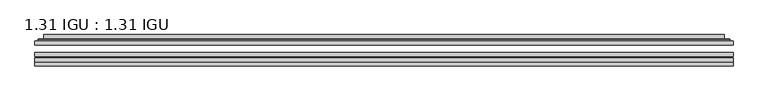
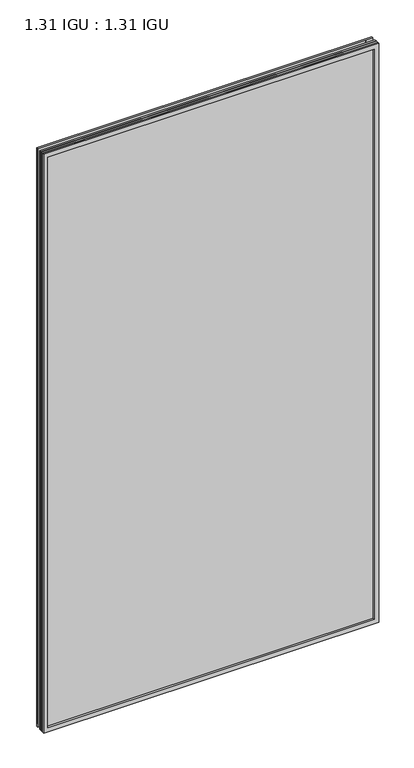
"""IFC4 building model written with IfcOpenShell, lengths in millimetres: plate geometry, 1.31 IGU : 1.31 IGU."""

from ifc_helpers import new_model, si_unit, frame, origin, place, context, project, spatial, polyline, ellipse_curve, outline, extrude, faceted_brep, source, transform, mapped, element, save
from ifc_brep_helpers import plane_surface, cylinder_surface, advanced_brep


def plate_1_31_igu_1_31_igu_21d04d1e(model_context):
    return source(origin(), model_context, "Body", "SolidModel", [
        extrude(outline(polyline([(554.05485, -63.2975937), (554.05485, -69.6475938), (-554.040675, -69.6475938), (-554.040675, -63.2975937), (554.05485, -63.2975937)])), frame((0.0, 0.0, -14.2875), z_axis=(0.0, 0.0, 1.0), x_axis=(1.0, 0.0, 0.0)), (0.0, 0.0, 1.0), 2022.4787979),
        extrude(outline(polyline([(-554.040675, -78.2835938), (-554.040675, -71.9330887), (554.05485, -71.9330887), (554.05485, -78.2835938), (-554.040675, -78.2835938)])), frame((0.0, 0.0, -14.2875), z_axis=(0.0, 0.0, 1.0), x_axis=(1.0, 0.0, 0.0)), (0.0, 0.0, 1.0), 2022.4787979),
        extrude(outline(polyline([(554.05485, -44.9587937), (554.05485, -51.3087938), (-554.040675, -51.3087938), (-554.040675, -44.9587937), (554.05485, -44.9587937)])), frame((0.0, 0.0, -14.2875), z_axis=(0.0, 0.0, 1.0), x_axis=(1.0, 0.0, 0.0)), (0.0, 0.0, 1.0), 2022.4787979),
        faceted_brep([(-554.053375, -84.6335937, 2008.2002), (-554.053375, -78.2835937, 2008.2002), (-554.053375, -78.2835937, -14.3002), (-554.053375, -84.6335937, -14.3002), (554.053375, -78.2835937, -14.3002), (554.053375, -84.6335937, -14.3002), (554.053375, -78.2835937, 2008.2002), (554.053375, -84.6335937, 2008.2002), (-538.8554309, -78.2835937, 0.8977441), (538.8554309, -78.2835937, 0.8977441), (538.8554309, -78.2835937, 1993.0022559), (-538.8554309, -78.2835937, 1993.0022559), (-539.7478652, -84.6335937, 1993.8946902), (539.7478652, -84.6335937, 1993.8946902), (539.7478652, -84.6335937, 0.0053098), (-539.7478652, -84.6335937, 0.0053098)], [[[0, 1, 2, 3]], [[3, 2, 4, 5]], [[5, 4, 6, 7]], [[1, 6, 4, 2], [8, 9, 10, 11]], [[7, 6, 1, 0]], [[3, 5, 7, 0], [12, 13, 14, 15]], [[11, 12, 15, 8]], [[8, 15, 14, 9]], [[9, 14, 13, 10]], [[10, 13, 12, 11]]]),
        advanced_brep(
        [(-546.799394, -44.9587937, 2000.946219), (-549.1535994, -42.9691271, 2003.3004244), (-549.1535994, -42.9691271, -9.4004244), (-546.799394, -44.9587937, -7.046219), (-537.7250689, -41.1187568, 1991.8718939), (-532.7902371, -44.9587937, 1986.9370621), (-532.7902371, -44.9587937, 6.9629379), (-537.7250689, -41.1187568, 2.0281061), (-538.7570967, -35.7215256, 1992.9039217), (-538.7570967, -35.7215256, 0.9960783), (-539.7477534, -35.3225507, 1993.8945784), (-539.7477534, -35.3225507, 0.0054216), (-539.7477534, -41.7837937, 1993.8945784), (-539.7477534, -41.7837937, 0.0054216), (-548.1518099, -41.7837937, 2002.2986349), (-548.1518099, -41.7837937, -8.3986349), (549.1535994, -42.9691271, -9.4004244), (546.799394, -44.9587937, -7.046219), (532.7902371, -44.9587937, 6.9629379), (537.7250689, -41.1187568, 2.0281061), (538.7570967, -35.7215256, 0.9960783), (539.7477534, -35.3225507, 0.0054216), (539.7477534, -41.7837937, 0.0054216), (548.1518099, -41.7837937, -8.3986349), (549.1535994, -42.9691271, 2003.3004244), (546.799394, -44.9587937, 2000.946219), (532.7902371, -44.9587937, 1986.9370621), (537.7250689, -41.1187568, 1991.8718939), (538.7570967, -35.7215256, 1992.9039217), (539.7477534, -35.3225507, 1993.8945784), (539.7477534, -41.7837937, 1993.8945784), (548.1518099, -41.7837937, 2002.2986349)],
        [
            (0, 1, ellipse_curve(frame((-546.799394, -42.5711937, 2000.946219), z_axis=(-0.7071067811865475, 0.0, -0.7071067811865475), x_axis=(-0.7071067811865474, 0.0, 0.7071067811865476)), 3.3765763, 2.3876)),
            (1, 2),
            (2, 3, ellipse_curve(frame((-546.799394, -42.5711937, -7.046219), z_axis=(-0.7071067811865475, 0.0, 0.7071067811865475), x_axis=(0.7071067811865474, 0.0, 0.7071067811865476)), 3.3765763, 2.3876)),
            (3, 0),
            (4, 5),
            (5, 6),
            (6, 7),
            (7, 4),
            (8, 4),
            (7, 9),
            (9, 8),
            (10, 8, ellipse_curve(frame((-539.3807969, -35.840786, 1993.5276219), z_axis=(-0.7071067811865475, 0.0, -0.7071067811865475), x_axis=(-0.7071067811865474, 0.0, 0.7071067811865476)), 0.8980256, 0.635)),
            (9, 11, ellipse_curve(frame((-539.3807969, -35.840786, 0.3723781), z_axis=(-0.7071067811865475, 0.0, 0.7071067811865475), x_axis=(0.7071067811865474, 0.0, 0.7071067811865476)), 0.8980256, 0.635)),
            (11, 10),
            (12, 10),
            (11, 13),
            (13, 12),
            (1, 14, ellipse_curve(frame((-548.1518099, -42.7997937, 2002.2986349), z_axis=(-0.7071067811865475, 0.0, -0.7071067811865475), x_axis=(-0.7071067811865474, 0.0, 0.7071067811865476)), 1.436841, 1.016)),
            (14, 15),
            (15, 2, ellipse_curve(frame((-548.1518099, -42.7997937, -8.3986349), z_axis=(-0.7071067811865475, 0.0, 0.7071067811865475), x_axis=(0.7071067811865474, 0.0, 0.7071067811865476)), 1.436841, 1.016)),
            (2, 16),
            (16, 17, ellipse_curve(frame((546.799394, -42.5711937, -7.046219), z_axis=(-0.7071067811865475, 0.0, -0.7071067811865475), x_axis=(-0.7071067811865476, 0.0, 0.7071067811865474)), 3.3765763, 2.3876)),
            (17, 3),
            (6, 18),
            (18, 19),
            (19, 7),
            (19, 20),
            (20, 9),
            (20, 21, ellipse_curve(frame((539.3807969, -35.840786, 0.3723781), z_axis=(-0.7071067811865475, 0.0, -0.7071067811865475), x_axis=(-0.7071067811865476, 0.0, 0.7071067811865474)), 0.8980256, 0.635)),
            (21, 11),
            (21, 22),
            (22, 13),
            (15, 23),
            (23, 16, ellipse_curve(frame((548.1518099, -42.7997937, -8.3986349), z_axis=(-0.7071067811865475, 0.0, -0.7071067811865475), x_axis=(-0.7071067811865476, 0.0, 0.7071067811865474)), 1.436841, 1.016)),
            (16, 24),
            (24, 25, ellipse_curve(frame((546.799394, -42.5711937, 2000.946219), z_axis=(0.7071067811865475, 0.0, -0.7071067811865475), x_axis=(-0.7071067811865474, 0.0, -0.7071067811865476)), 3.3765763, 2.3876)),
            (25, 17),
            (18, 26),
            (26, 27),
            (27, 19),
            (27, 28),
            (28, 20),
            (28, 29, ellipse_curve(frame((539.3807969, -35.840786, 1993.5276219), z_axis=(0.7071067811865475, 0.0, -0.7071067811865475), x_axis=(-0.7071067811865474, 0.0, -0.7071067811865476)), 0.8980256, 0.635)),
            (29, 21),
            (29, 30),
            (30, 22),
            (23, 31),
            (31, 24, ellipse_curve(frame((548.1518099, -42.7997937, 2002.2986349), z_axis=(0.7071067811865475, 0.0, -0.7071067811865475), x_axis=(-0.7071067811865474, 0.0, -0.7071067811865476)), 1.436841, 1.016)),
            (24, 1),
            (0, 25),
            (5, 26),
            (4, 27),
            (8, 28),
            (10, 29),
            (12, 30),
            (14, 31),
        ],
        [
            cylinder_surface(frame((-546.799394, -42.5711937, 2025.65), z_axis=(0.0, 0.0, 1.0), x_axis=(-1.0, 0.0, 0.0)), 2.3876),
            plane_surface(frame((-532.7902371, -44.9587937, 1986.9370621), z_axis=(0.6141233906514794, 0.7892100234124821, 0.0), x_axis=(0.0, 0.0, -1.0))),
            plane_surface(frame((-537.7250689, -41.1187568, 1991.8718939), z_axis=(0.9822050625507729, 0.18781164793386076, 0.0), x_axis=(0.0, 0.0, -1.0))),
            cylinder_surface(frame((-539.3807969, -35.840786, 2025.65), z_axis=(0.0, 0.0, 1.0), x_axis=(-1.0, 0.0, 0.0)), 0.635),
            plane_surface(frame((-539.7477534, -35.3225507, 1993.8945784), z_axis=(-1.0, 0.0, 0.0), x_axis=(0.0, 0.0, -1.0))),
            cylinder_surface(frame((-548.1518099, -42.7997937, 2025.65), z_axis=(0.0, 0.0, 1.0), x_axis=(-1.0, 0.0, 0.0)), 1.016),
            cylinder_surface(frame((-571.503175, -42.5711937, -7.046219), z_axis=(-1.0, 0.0, 0.0), x_axis=(0.0, 0.0, -1.0)), 2.3876),
            plane_surface(frame((-532.7902371, -44.9587937, 6.9629379), z_axis=(0.0, 0.7892100234124841, 0.6141233906514768), x_axis=(1.0, 0.0, 0.0))),
            plane_surface(frame((-537.7250689, -41.1187568, 2.0281061), z_axis=(0.0, 0.18781164793386393, 0.9822050625507723), x_axis=(1.0, 0.0, 0.0))),
            cylinder_surface(frame((-571.503175, -35.840786, 0.3723781), z_axis=(-1.0, 0.0, 0.0), x_axis=(0.0, 0.0, -1.0)), 0.635),
            plane_surface(frame((-539.7477534, -35.3225507, 0.0054216), z_axis=(0.0, 0.0, -1.0), x_axis=(1.0, 0.0, 0.0))),
            cylinder_surface(frame((-571.503175, -42.7997937, -8.3986349), z_axis=(-1.0, 0.0, 0.0), x_axis=(0.0, 0.0, -1.0)), 1.016),
            cylinder_surface(frame((546.799394, -42.5711937, -31.75), z_axis=(0.0, 0.0, -1.0), x_axis=(1.0, 0.0, 0.0)), 2.3876),
            plane_surface(frame((532.7902371, -44.9587937, 6.9629379), z_axis=(-0.6141233906514743, 0.7892100234124861, 0.0), x_axis=(0.0, 0.0, 1.0))),
            plane_surface(frame((537.7250689, -41.1187568, 2.0281061), z_axis=(-0.9822050625507718, 0.1878116479338671, 0.0), x_axis=(0.0, 0.0, 1.0))),
            cylinder_surface(frame((539.3807969, -35.840786, -31.75), z_axis=(0.0, 0.0, -1.0), x_axis=(1.0, 0.0, 0.0)), 0.635),
            plane_surface(frame((539.7477534, -35.3225507, 0.0054216), z_axis=(1.0, 0.0, 0.0), x_axis=(0.0, 0.0, 1.0))),
            cylinder_surface(frame((548.1518099, -42.7997937, -31.75), z_axis=(0.0, 0.0, -1.0), x_axis=(1.0, 0.0, 0.0)), 1.016),
            cylinder_surface(frame((571.503175, -42.5711937, 2000.946219), z_axis=(1.0, 0.0, 0.0), x_axis=(0.0, 0.0, 1.0)), 2.3876),
            plane_surface(frame((546.799394, -44.9587937, 2000.946219), z_axis=(0.0, -1.0, 0.0), x_axis=(-1.0, 0.0, 0.0))),
            plane_surface(frame((532.7902371, -44.9587937, 1986.9370621), z_axis=(0.0, 0.7892100234124841, -0.6141233906514768), x_axis=(-1.0, 0.0, 0.0))),
            plane_surface(frame((537.7250689, -41.1187568, 1991.8718939), z_axis=(0.0, 0.18781164793386393, -0.9822050625507723), x_axis=(-1.0, 0.0, 0.0))),
            cylinder_surface(frame((571.503175, -35.840786, 1993.5276219), z_axis=(1.0, 0.0, 0.0), x_axis=(0.0, 0.0, 1.0)), 0.635),
            plane_surface(frame((539.7477534, -35.3225507, 1993.8945784), z_axis=(0.0, 0.0, 1.0), x_axis=(-1.0, 0.0, 0.0))),
            plane_surface(frame((539.7477534, -41.7837937, 1993.8945784), z_axis=(0.0, 1.0, 0.0), x_axis=(-1.0, 0.0, 0.0))),
            cylinder_surface(frame((571.503175, -42.7997937, 2002.2986349), z_axis=(1.0, 0.0, 0.0), x_axis=(0.0, 0.0, 1.0)), 1.016),
        ],
        [
            (0, [[1, 2, 3, 4]]),
            (1, [[5, 6, 7, 8]]),
            (2, [[9, -8, 10, 11]]),
            (3, [[12, -11, 13, 14]]),
            (4, [[15, -14, 16, 17]]),
            (5, [[18, 19, 20, -2]]),
            (6, [[-3, 21, 22, 23]]),
            (7, [[-7, 24, 25, 26]]),
            (8, [[-10, -26, 27, 28]]),
            (9, [[-13, -28, 29, 30]]),
            (10, [[-16, -30, 31, 32]]),
            (11, [[-20, 33, 34, -21]]),
            (12, [[-22, 35, 36, 37]]),
            (13, [[-25, 38, 39, 40]]),
            (14, [[-27, -40, 41, 42]]),
            (15, [[-29, -42, 43, 44]]),
            (16, [[-31, -44, 45, 46]]),
            (17, [[-34, 47, 48, -35]]),
            (18, [[-36, 49, -1, 50]]),
            (19, [[-23, -37, -50, -4], [51, -38, -24, -6]]),
            (20, [[-39, -51, -5, 52]]),
            (21, [[-41, -52, -9, 53]]),
            (22, [[-43, -53, -12, 54]]),
            (23, [[-45, -54, -15, 55]]),
            (24, [[56, -47, -33, -19], [-32, -46, -55, -17]]),
            (25, [[-48, -56, -18, -49]]),
        ],
    ),
    ])


if __name__ == "__main__":
    model = new_model("IFC4")
    model_context = context("Model", 3, world=origin())
    ifc_project = project(units=[si_unit("LENGTHUNIT", "METRE", prefix="MILLI")], contexts=[model_context])
    site = spatial("IfcSite", under=ifc_project)
    building = spatial("IfcBuilding", under=site)
    placement = place(None, origin())
    plate_1_31_igu_1_31_igu_shape = plate_1_31_igu_1_31_igu_21d04d1e(model_context)
    element("IfcPlate", 1, ObjectType="1.31 IGU : 1.31 IGU", at=placement, inside=building, context=model_context, shape_type="MappedRepresentation", body=[
        mapped(plate_1_31_igu_1_31_igu_shape, transform((0.0, 0.0, 0.0), x_axis=(1.0, 0.0, 0.0), y_axis=(0.0, 1.0, 0.0), z_axis=(0.0, 0.0, 1.0))),
    ])
    save(model, "model.ifc")
